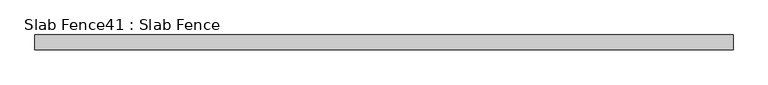
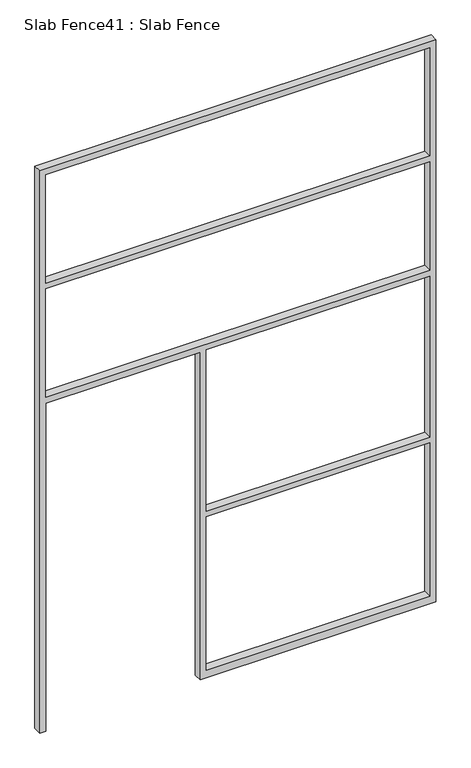
"""IFC4 building model written with IfcOpenShell, lengths in millimetres: proxy geometry, Slab Fence41 : Slab Fence."""

from ifc_helpers import new_model, si_unit, frame, origin, place, context, project, spatial, polyline, outline, extrude, source, transform, mapped, element, save


def slab_fence41_slab_fence_aed5412d(model_context):
    return source(origin(), model_context, "Body", "SweptSolid", [
        extrude(outline(polyline([(3657.6, 29613.2151795), (0.0, 29613.2151795), (0.0, 29651.3151795), (2133.6, 29651.3151795), (2133.6, 30600.6401795), (0.0, 30600.6401795), (0.0, 30638.7401795), (0.0, 32051.6151795), (3657.6, 32051.6151795), (3657.6, 29613.2151795)]), holes=[polyline([(2876.55, 29651.3151795), (2876.55, 32013.5151795), (2171.7, 32013.5151795), (2171.7, 29651.3151795), (2876.55, 29651.3151795)]), polyline([(3619.5, 32013.5151795), (2914.65, 32013.5151795), (2914.65, 29651.3151795), (3619.5, 29651.3151795), (3619.5, 32013.5151795)]), polyline([(1085.85, 30638.7401795), (2133.6, 30638.7401795), (2133.6, 32013.5151795), (1085.85, 32013.5151795), (1085.85, 30638.7401795)]), polyline([(1047.75, 32013.5151795), (50.8, 32013.5151795), (50.8, 30638.7401795), (1047.75, 30638.7401795), (1047.75, 32013.5151795)])]), frame((0.0, 19806.666085, 0.0), z_axis=(0.0, 1.0, 0.0), x_axis=(0.0, 0.0, 1.0)), (0.0, 0.0, 1.0), 52.001598),
    ])


if __name__ == "__main__":
    model = new_model("IFC4")
    model_context = context("Model", 3, world=origin())
    ifc_project = project(units=[si_unit("LENGTHUNIT", "METRE", prefix="MILLI")], contexts=[model_context])
    site = spatial("IfcSite", under=ifc_project)
    building = spatial("IfcBuilding", under=site)
    placement = place(None, origin())
    slab_fence41_slab_fence_shape = slab_fence41_slab_fence_aed5412d(model_context)
    element("IfcBuildingElementProxy", 1, Name="Slab Fence41 : Slab Fence", ObjectType="Slab Fence41 : Slab Fence", at=placement, inside=building, context=model_context, shape_type="MappedRepresentation", body=[
        mapped(slab_fence41_slab_fence_shape, transform((0.0, 0.0, 0.0), x_axis=(1.0, 0.0, 0.0), y_axis=(0.0, 1.0, 0.0), z_axis=(0.0, 0.0, 1.0))),
    ])
    save(model, "model.ifc")
